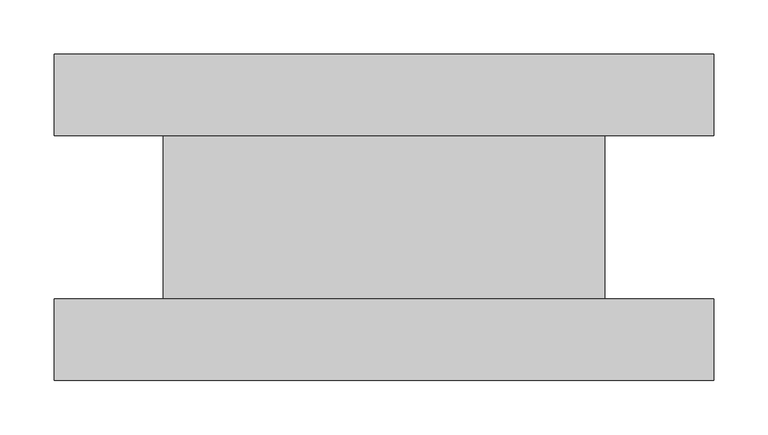
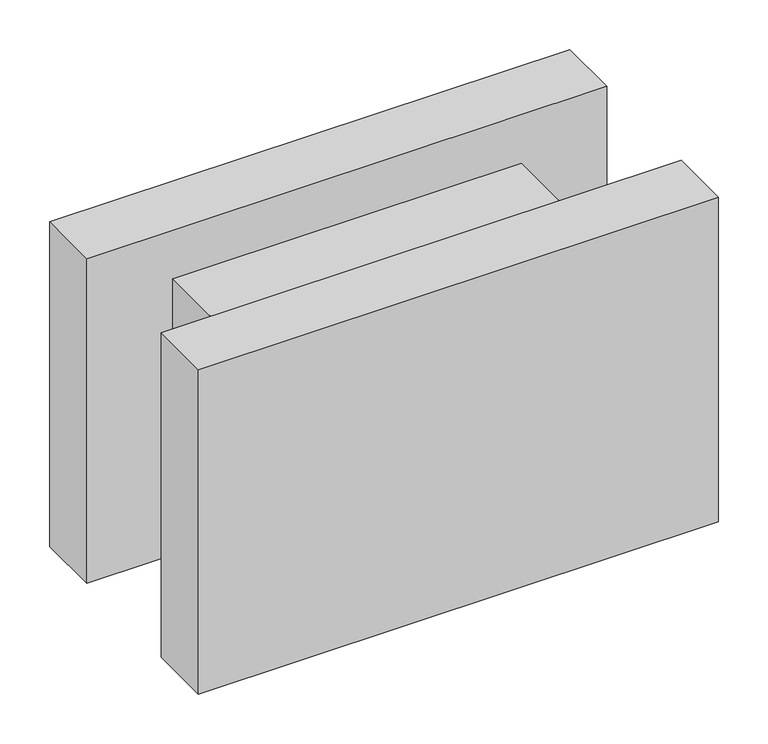
"""IFC4 building model written with IfcOpenShell, lengths in millimetres: plate geometry."""

import ifcopenshell
import ifcopenshell.guid

model = None  # the IFC model being written
_history = None  # IfcOwnerHistory: only IFC2X3 demands one
_inside = {}  # id of a spatial element -> (the spatial element, [elements in it])
_under = {}  # id of a project, library or spatial element -> (it, [spatial elements below it])
_declared = {}  # id of a project -> (the project, [libraries it declares])
_typed = {}  # id of a type object -> (the type object, [elements of that type])
_made_of = {}  # id of a material, layer set ... -> (it, [elements and type objects made of it])


def new_model(schema):
    """Start an empty IFC model of exactly this schema.

    Asked for "IFC4X3", IfcOpenShell would pick the latest addendum, in which some entities
    have other attributes; the version numbers below select the first issue.
    IFC2X3 requires an IfcOwnerHistory on every rooted entity: one is made here for all.
    """
    global model, _history
    if schema == "IFC4X3":
        model = ifcopenshell.file(schema_version=(4, 3, 0, 0))
    else:
        model = ifcopenshell.file(schema=schema)
    _inside.clear()
    _under.clear()
    _declared.clear()
    _typed.clear()
    _made_of.clear()
    _history = None
    if model.schema == "IFC2X3":
        org = make("IfcOrganization", Name="unknown")
        user = make(
            "IfcPersonAndOrganization",
            ThePerson=make("IfcPerson", FamilyName="unknown"),
            TheOrganization=org,
        )
        app = make(
            "IfcApplication",
            ApplicationDeveloper=org,
            Version="unknown",
            ApplicationFullName="unknown",
            ApplicationIdentifier="unknown",
        )
        _history = make(
            "IfcOwnerHistory",
            OwningUser=user,
            OwningApplication=app,
            ChangeAction="ADDED",
            CreationDate=0,
        )
    return model


def make(cls, **values):
    """One entity of the class cls with the attributes given. An attribute that is None is left unset."""
    return model.create_entity(
        cls, **{name: value for name, value in values.items() if value is not None}
    )


def rooted(cls, **values):
    """An entity with a GlobalId (a new one), such as an element, a storey or a relation."""
    return make(cls, GlobalId=ifcopenshell.guid.new(), OwnerHistory=_history, **values)


def si_unit(unit_type, name, prefix=None):
    """IfcSIUnit, for example si_unit("LENGTHUNIT", "METRE", prefix="MILLI")."""
    return make("IfcSIUnit", UnitType=unit_type, Prefix=prefix, Name=name)


def assignment(units):
    """IfcUnitAssignment: the units of a project."""
    return None if units is None else make("IfcUnitAssignment", Units=units)


def point(xyz):
    """IfcCartesianPoint."""
    return None if xyz is None else make("IfcCartesianPoint", Coordinates=xyz)


def direction(xyz):
    """IfcDirection."""
    return None if xyz is None else make("IfcDirection", DirectionRatios=xyz)


def frame(location, z_axis=None, x_axis=None):
    """IfcAxis2Placement3D, a coordinate frame: its origin and axes. An axis left out is left unset."""
    return make(
        "IfcAxis2Placement3D",
        Location=point(location),
        Axis=direction(z_axis),
        RefDirection=direction(x_axis),
    )


def origin():
    """The frame at (0, 0, 0) with its axes left unset."""
    return frame((0.0, 0.0, 0.0))


def origin_with_axes():
    """The frame at (0, 0, 0) with the z axis (0, 0, 1) and the x axis (1, 0, 0) written out."""
    return frame((0.0, 0.0, 0.0), z_axis=(0.0, 0.0, 1.0), x_axis=(1.0, 0.0, 0.0))


def place(relative_to, where):
    """IfcLocalPlacement: puts the frame where relative to a parent placement (None: the world)."""
    return make(
        "IfcLocalPlacement", PlacementRelTo=relative_to, RelativePlacement=where
    )


def context(
    kind, dimensions, precision=None, world=None, true_north=None, identifier=None
):
    """IfcGeometricRepresentationContext, for example the 3D "Model" context."""
    return make(
        "IfcGeometricRepresentationContext",
        ContextIdentifier=identifier,
        ContextType=kind,
        CoordinateSpaceDimension=dimensions,
        Precision=precision,
        WorldCoordinateSystem=world,
        TrueNorth=true_north,
    )


def project(units=None, contexts=None):
    """IfcProject with its units and contexts."""
    return rooted(
        "IfcProject",
        Name="project",
        RepresentationContexts=contexts,
        UnitsInContext=assignment(units),
    )


def spatial(cls, under=None, at=None, **own):
    """A site, building, storey or space (cls), placed at a placement, below another one or the project."""
    s = rooted(cls, ObjectPlacement=at, **own)
    if under is not None:
        _under.setdefault(under.id(), (under, []))[1].append(s)
    return s


def polyline(points):
    """IfcPolyline through the points."""
    return make("IfcPolyline", Points=[point(p) for p in points])


def outline(outer, holes=None, kind="AREA"):
    """IfcArbitraryClosedProfileDef: a profile drawn as a closed curve; with holes, ...WithVoids."""
    if holes is None:
        return make("IfcArbitraryClosedProfileDef", ProfileType=kind, OuterCurve=outer)
    return make(
        "IfcArbitraryProfileDefWithVoids",
        ProfileType=kind,
        OuterCurve=outer,
        InnerCurves=holes,
    )


def extrude(swept, where, along, depth):
    """IfcExtrudedAreaSolid: the profile swept, set in the frame where, extruded along a direction by depth."""
    return make(
        "IfcExtrudedAreaSolid",
        SweptArea=swept,
        Position=where,
        ExtrudedDirection=direction(along),
        Depth=depth,
    )


def shape(context_of_items, identifier, shape_type, items):
    """IfcShapeRepresentation: the items that make up one representation, for example the "Body"."""
    return make(
        "IfcShapeRepresentation",
        ContextOfItems=context_of_items,
        RepresentationIdentifier=identifier,
        RepresentationType=shape_type,
        Items=items,
    )


def source(mapping_origin, context_of_items, identifier, shape_type, items):
    """IfcRepresentationMap: a shape defined once, which mapped items show again and again."""
    return make(
        "IfcRepresentationMap",
        MappingOrigin=mapping_origin,
        MappedRepresentation=shape(context_of_items, identifier, shape_type, items),
    )


def transform(
    local_origin,
    x_axis=None,
    y_axis=None,
    z_axis=None,
    scale=None,
    scale2=None,
    scale3=None,
    uniform=True,
):
    """IfcCartesianTransformationOperator3D, or its non-uniform kind. x_axis, y_axis, z_axis: its Axis1, 2, 3."""
    if uniform:
        return make(
            "IfcCartesianTransformationOperator3D",
            Axis1=direction(x_axis),
            Axis2=direction(y_axis),
            LocalOrigin=point(local_origin),
            Scale=scale,
            Axis3=direction(z_axis),
        )
    return make(
        "IfcCartesianTransformationOperator3DnonUniform",
        Axis1=direction(x_axis),
        Axis2=direction(y_axis),
        LocalOrigin=point(local_origin),
        Scale=scale,
        Axis3=direction(z_axis),
        Scale2=scale2,
        Scale3=scale3,
    )


def mapped(mapping_source, mapping_target):
    """IfcMappedItem: shows the shape of a source again, moved by a transform."""
    return make(
        "IfcMappedItem", MappingSource=mapping_source, MappingTarget=mapping_target
    )


def made_of(thing, what):
    """Note that an element or type object is made of a material, layer set ...; save() writes the relation."""
    if what is not None:
        _made_of.setdefault(what.id(), (what, []))[1].append(thing)
    return thing


def element(
    cls,
    number,
    at=None,
    inside=None,
    cuts=None,
    type_object=None,
    material=None,
    context=None,
    identifier="Body",
    shape_type=None,
    held_by="IfcProductDefinitionShape",
    body=None,
    shapes=None,
    **own,
):
    """One element of the class cls, such as IfcWall. Its Tag is "e" and its number.

    at: its placement. inside: the storey or other place that contains it. cuts: it is an
    opening in that element (IfcRelVoidsElement). A single representation is given by context,
    identifier, shape_type and body (its items); several are given by shapes. held_by: the class
    of the entity that holds the representations. save() writes the other relations.
    """
    e = rooted(cls, Tag="e%d" % number, ObjectPlacement=at, **own)
    if body is not None:
        shapes = [shape(context, identifier, shape_type, body)]
    if shapes is not None:
        e.Representation = make(held_by, Representations=shapes)
    if inside is not None:
        _inside.setdefault(inside.id(), (inside, []))[1].append(e)
    if cuts is not None:
        rooted(
            "IfcRelVoidsElement", RelatingBuildingElement=cuts, RelatedOpeningElement=e
        )
    if type_object is not None:
        _typed.setdefault(type_object.id(), (type_object, []))[1].append(e)
    return made_of(e, material)


def aggregate(whole, parts):
    """IfcRelAggregates: a whole, such as a stair, and the parts it consists of."""
    return rooted("IfcRelAggregates", RelatingObject=whole, RelatedObjects=parts)


def save(model, path):
    """Write the relations noted so far, then the file.

    IfcRelAggregates (storeys below a building ...), IfcRelContainedInSpatialStructure (elements
    in a storey), IfcRelDefinesByType, IfcRelAssociatesMaterial and IfcRelDeclares: one each for
    every whole, place, type object, material and project.
    """
    for whole, parts in _under.values():
        aggregate(whole, parts)
    for where, things in _inside.values():
        rooted(
            "IfcRelContainedInSpatialStructure",
            RelatedElements=things,
            RelatingStructure=where,
        )
    for kind, things in _typed.values():
        rooted("IfcRelDefinesByType", RelatedObjects=things, RelatingType=kind)
    for what, things in _made_of.values():
        rooted("IfcRelAssociatesMaterial", RelatedObjects=things, RelatingMaterial=what)
    for by, libraries in _declared.values():
        rooted("IfcRelDeclares", RelatingContext=by, RelatedDefinitions=libraries)
    model.write(path)


def plate_b704843f(model_context):
    return source(origin(), model_context, "Body", "SweptSolid", [
        extrude(outline(polyline([(303.125, -150.0), (-303.125, -150.0), (-303.125, -75.0), (303.125, -75.0), (303.125, -150.0)])), origin_with_axes(), (0.0, 0.0, 1.0), 400.0),
        extrude(outline(polyline([(303.125, 75.0), (-303.125, 75.0), (-303.125, 150.0), (303.125, 150.0), (303.125, 75.0)])), origin_with_axes(), (0.0, 0.0, 1.0), 400.0),
        extrude(outline(polyline([(203.125, -75.0), (-203.125, -75.0), (-203.125, 75.0), (203.125, 75.0), (203.125, -75.0)])), frame((0.0, 0.0, 59.45), z_axis=(0.0, 0.0, 1.0), x_axis=(1.0, 0.0, 0.0)), (0.0, 0.0, 1.0), 281.1),
    ])


if __name__ == "__main__":
    model = new_model("IFC4")
    model_context = context("Model", 3, world=origin())
    ifc_project = project(units=[si_unit("LENGTHUNIT", "METRE", prefix="MILLI")], contexts=[model_context])
    site = spatial("IfcSite", under=ifc_project)
    building = spatial("IfcBuilding", under=site)
    placement = place(None, origin())
    plate_shape = plate_b704843f(model_context)
    element("IfcPlate", 1, at=placement, inside=building, context=model_context, shape_type="MappedRepresentation", body=[
        mapped(plate_shape, transform((0.0, 0.0, 0.0), x_axis=(1.0, 0.0, 0.0), y_axis=(0.0, 1.0, 0.0), z_axis=(0.0, 0.0, 1.0))),
    ])
    save(model, "model.ifc")
